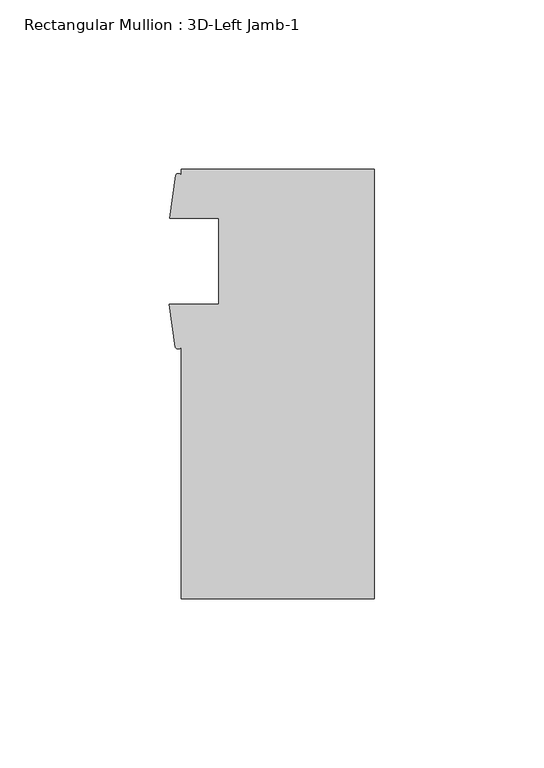
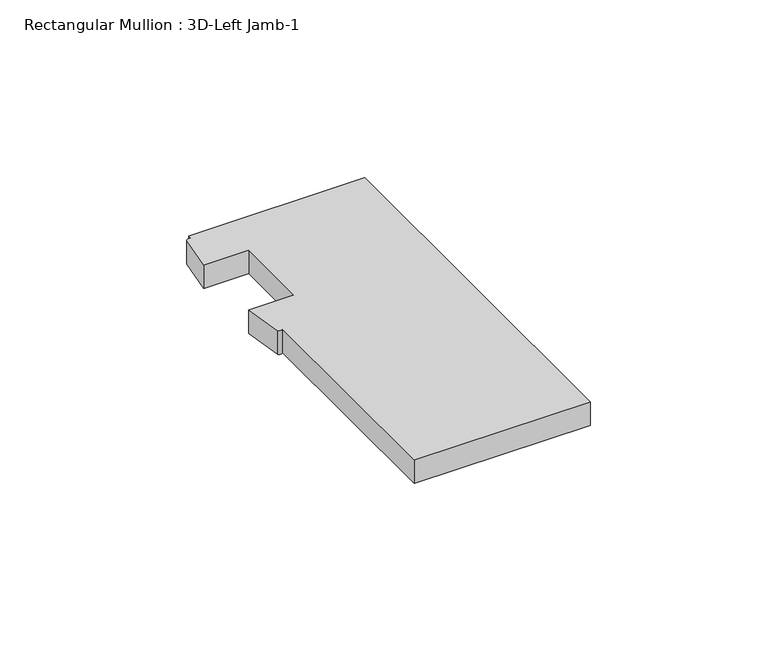
"""IFC4 building model written with IfcOpenShell, lengths in millimetres: member geometry, Rectangular Mullion : 3D-Left Jamb-1."""

from ifc_helpers import new_model, si_unit, point, frame, frame_2d, origin, place, context, project, spatial, polyline, circle_curve, trimmed, segment, composite_curve, outline, extrude, source, transform, mapped, element, save


def rectangular_mullion_3d_left_jamb_1_bd6cb28a(model_context):
    return source(origin(), model_context, "Body", "SweptSolid", [
        extrude(outline(composite_curve([segment(polyline([(0.0, -73.025), (-57.15, -73.025), (-57.15, 1.2984222)]), True, "CONTINUOUS"), segment(trimmed(circle_curve(frame_2d((-57.9817022, 1.8151635)), 0.9791578), [point((-57.15, 1.2984222))], [point((-58.8134044, 1.2984222))], False, "CARTESIAN"), True, "CONTINUOUS"), segment(polyline([(-58.8134044, 1.2984222), (-60.6695217, 14.071475), (-46.0375, 14.071475), (-46.0375, 39.471475), (-60.546, 39.471475), (-58.7419699, 52.1999093)]), True, "CONTINUOUS"), segment(trimmed(circle_curve(frame_2d((-57.945985, 51.8087445)), 0.8869058), [point((-58.7419699, 52.1999093))], [point((-57.15, 52.1999093))], False, "CARTESIAN"), True, "CONTINUOUS"), segment(polyline([(-57.15, 52.1999093), (-57.15, 53.975), (0.0, 53.975), (0.0, -73.025)]), True, "CONTINUOUS")], self_intersect=False)), frame((0.0, 0.0, -8.1358744), z_axis=(0.0, 0.0, 1.0), x_axis=(1.0, 0.0, 0.0)), (0.0, 0.0, 1.0), 8.1358744),
    ])


if __name__ == "__main__":
    model = new_model("IFC4")
    model_context = context("Model", 3, world=origin())
    ifc_project = project(units=[si_unit("LENGTHUNIT", "METRE", prefix="MILLI")], contexts=[model_context])
    site = spatial("IfcSite", under=ifc_project)
    building = spatial("IfcBuilding", under=site)
    placement = place(None, origin())
    rectangular_mullion_3d_left_jamb_1_shape = rectangular_mullion_3d_left_jamb_1_bd6cb28a(model_context)
    element("IfcMember", 1, ObjectType="Rectangular Mullion : 3D-Left Jamb-1", at=placement, inside=building, context=model_context, shape_type="MappedRepresentation", body=[
        mapped(rectangular_mullion_3d_left_jamb_1_shape, transform((0.0, 0.0, 0.0), x_axis=(1.0, 0.0, 0.0), y_axis=(0.0, 1.0, 0.0), z_axis=(0.0, 0.0, 1.0))),
    ])
    save(model, "model.ifc")
